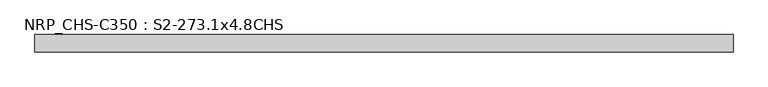
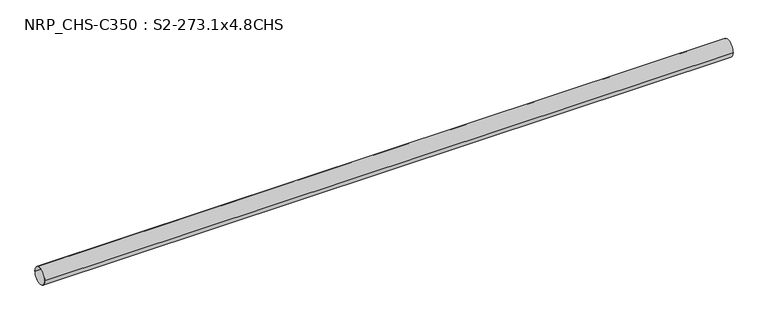
"""IFC4 building model written with IfcOpenShell, lengths in millimetres: beam geometry, NRP_CHS-C350 : S2-273.1x4.8CHS."""

import ifcopenshell
import ifcopenshell.guid

model = None  # the IFC model being written
_history = None  # IfcOwnerHistory: only IFC2X3 demands one
_inside = {}  # id of a spatial element -> (the spatial element, [elements in it])
_under = {}  # id of a project, library or spatial element -> (it, [spatial elements below it])
_declared = {}  # id of a project -> (the project, [libraries it declares])
_typed = {}  # id of a type object -> (the type object, [elements of that type])
_made_of = {}  # id of a material, layer set ... -> (it, [elements and type objects made of it])


def new_model(schema):
    """Start an empty IFC model of exactly this schema.

    Asked for "IFC4X3", IfcOpenShell would pick the latest addendum, in which some entities
    have other attributes; the version numbers below select the first issue.
    IFC2X3 requires an IfcOwnerHistory on every rooted entity: one is made here for all.
    """
    global model, _history
    if schema == "IFC4X3":
        model = ifcopenshell.file(schema_version=(4, 3, 0, 0))
    else:
        model = ifcopenshell.file(schema=schema)
    _inside.clear()
    _under.clear()
    _declared.clear()
    _typed.clear()
    _made_of.clear()
    _history = None
    if model.schema == "IFC2X3":
        org = make("IfcOrganization", Name="unknown")
        user = make(
            "IfcPersonAndOrganization",
            ThePerson=make("IfcPerson", FamilyName="unknown"),
            TheOrganization=org,
        )
        app = make(
            "IfcApplication",
            ApplicationDeveloper=org,
            Version="unknown",
            ApplicationFullName="unknown",
            ApplicationIdentifier="unknown",
        )
        _history = make(
            "IfcOwnerHistory",
            OwningUser=user,
            OwningApplication=app,
            ChangeAction="ADDED",
            CreationDate=0,
        )
    return model


def make(cls, **values):
    """One entity of the class cls with the attributes given. An attribute that is None is left unset."""
    return model.create_entity(
        cls, **{name: value for name, value in values.items() if value is not None}
    )


def rooted(cls, **values):
    """An entity with a GlobalId (a new one), such as an element, a storey or a relation."""
    return make(cls, GlobalId=ifcopenshell.guid.new(), OwnerHistory=_history, **values)


def si_unit(unit_type, name, prefix=None):
    """IfcSIUnit, for example si_unit("LENGTHUNIT", "METRE", prefix="MILLI")."""
    return make("IfcSIUnit", UnitType=unit_type, Prefix=prefix, Name=name)


def assignment(units):
    """IfcUnitAssignment: the units of a project."""
    return None if units is None else make("IfcUnitAssignment", Units=units)


def point(xyz):
    """IfcCartesianPoint."""
    return None if xyz is None else make("IfcCartesianPoint", Coordinates=xyz)


def direction(xyz):
    """IfcDirection."""
    return None if xyz is None else make("IfcDirection", DirectionRatios=xyz)


def frame(location, z_axis=None, x_axis=None):
    """IfcAxis2Placement3D, a coordinate frame: its origin and axes. An axis left out is left unset."""
    return make(
        "IfcAxis2Placement3D",
        Location=point(location),
        Axis=direction(z_axis),
        RefDirection=direction(x_axis),
    )


def frame_2d(location, x_axis=None):
    """IfcAxis2Placement2D, a coordinate frame in the plane: its origin and x axis."""
    return make(
        "IfcAxis2Placement2D", Location=point(location), RefDirection=direction(x_axis)
    )


def origin():
    """The frame at (0, 0, 0) with its axes left unset."""
    return frame((0.0, 0.0, 0.0))


def origin_2d():
    """The frame at (0, 0) in the plane with its x axis left unset."""
    return frame_2d((0.0, 0.0))


def place(relative_to, where):
    """IfcLocalPlacement: puts the frame where relative to a parent placement (None: the world)."""
    return make(
        "IfcLocalPlacement", PlacementRelTo=relative_to, RelativePlacement=where
    )


def context(
    kind, dimensions, precision=None, world=None, true_north=None, identifier=None
):
    """IfcGeometricRepresentationContext, for example the 3D "Model" context."""
    return make(
        "IfcGeometricRepresentationContext",
        ContextIdentifier=identifier,
        ContextType=kind,
        CoordinateSpaceDimension=dimensions,
        Precision=precision,
        WorldCoordinateSystem=world,
        TrueNorth=true_north,
    )


def project(units=None, contexts=None):
    """IfcProject with its units and contexts."""
    return rooted(
        "IfcProject",
        Name="project",
        RepresentationContexts=contexts,
        UnitsInContext=assignment(units),
    )


def spatial(cls, under=None, at=None, **own):
    """A site, building, storey or space (cls), placed at a placement, below another one or the project."""
    s = rooted(cls, ObjectPlacement=at, **own)
    if under is not None:
        _under.setdefault(under.id(), (under, []))[1].append(s)
    return s


def circle_curve(where, radius):
    """IfcCircle in the frame where."""
    return make("IfcCircle", Position=where, Radius=radius)


def trimmed(basis, trim1, trim2, sense, master):
    """IfcTrimmedCurve: the piece of a basis curve between two trims."""
    return make(
        "IfcTrimmedCurve",
        BasisCurve=basis,
        Trim1=trim1,
        Trim2=trim2,
        SenseAgreement=sense,
        MasterRepresentation=master,
    )


def segment(curve, same_sense, transition):
    """IfcCompositeCurveSegment."""
    return make(
        "IfcCompositeCurveSegment",
        Transition=transition,
        SameSense=same_sense,
        ParentCurve=curve,
    )


def composite_curve(segments, self_intersect=None):
    """IfcCompositeCurve: segments joined end to end."""
    return make("IfcCompositeCurve", Segments=segments, SelfIntersect=self_intersect)


def outline(outer, holes=None, kind="AREA"):
    """IfcArbitraryClosedProfileDef: a profile drawn as a closed curve; with holes, ...WithVoids."""
    if holes is None:
        return make("IfcArbitraryClosedProfileDef", ProfileType=kind, OuterCurve=outer)
    return make(
        "IfcArbitraryProfileDefWithVoids",
        ProfileType=kind,
        OuterCurve=outer,
        InnerCurves=holes,
    )


def extrude(swept, where, along, depth):
    """IfcExtrudedAreaSolid: the profile swept, set in the frame where, extruded along a direction by depth."""
    return make(
        "IfcExtrudedAreaSolid",
        SweptArea=swept,
        Position=where,
        ExtrudedDirection=direction(along),
        Depth=depth,
    )


def shape(context_of_items, identifier, shape_type, items):
    """IfcShapeRepresentation: the items that make up one representation, for example the "Body"."""
    return make(
        "IfcShapeRepresentation",
        ContextOfItems=context_of_items,
        RepresentationIdentifier=identifier,
        RepresentationType=shape_type,
        Items=items,
    )


def source(mapping_origin, context_of_items, identifier, shape_type, items):
    """IfcRepresentationMap: a shape defined once, which mapped items show again and again."""
    return make(
        "IfcRepresentationMap",
        MappingOrigin=mapping_origin,
        MappedRepresentation=shape(context_of_items, identifier, shape_type, items),
    )


def transform(
    local_origin,
    x_axis=None,
    y_axis=None,
    z_axis=None,
    scale=None,
    scale2=None,
    scale3=None,
    uniform=True,
):
    """IfcCartesianTransformationOperator3D, or its non-uniform kind. x_axis, y_axis, z_axis: its Axis1, 2, 3."""
    if uniform:
        return make(
            "IfcCartesianTransformationOperator3D",
            Axis1=direction(x_axis),
            Axis2=direction(y_axis),
            LocalOrigin=point(local_origin),
            Scale=scale,
            Axis3=direction(z_axis),
        )
    return make(
        "IfcCartesianTransformationOperator3DnonUniform",
        Axis1=direction(x_axis),
        Axis2=direction(y_axis),
        LocalOrigin=point(local_origin),
        Scale=scale,
        Axis3=direction(z_axis),
        Scale2=scale2,
        Scale3=scale3,
    )


def mapped(mapping_source, mapping_target):
    """IfcMappedItem: shows the shape of a source again, moved by a transform."""
    return make(
        "IfcMappedItem", MappingSource=mapping_source, MappingTarget=mapping_target
    )


def made_of(thing, what):
    """Note that an element or type object is made of a material, layer set ...; save() writes the relation."""
    if what is not None:
        _made_of.setdefault(what.id(), (what, []))[1].append(thing)
    return thing


def element(
    cls,
    number,
    at=None,
    inside=None,
    cuts=None,
    type_object=None,
    material=None,
    context=None,
    identifier="Body",
    shape_type=None,
    held_by="IfcProductDefinitionShape",
    body=None,
    shapes=None,
    **own,
):
    """One element of the class cls, such as IfcWall. Its Tag is "e" and its number.

    at: its placement. inside: the storey or other place that contains it. cuts: it is an
    opening in that element (IfcRelVoidsElement). A single representation is given by context,
    identifier, shape_type and body (its items); several are given by shapes. held_by: the class
    of the entity that holds the representations. save() writes the other relations.
    """
    e = rooted(cls, Tag="e%d" % number, ObjectPlacement=at, **own)
    if body is not None:
        shapes = [shape(context, identifier, shape_type, body)]
    if shapes is not None:
        e.Representation = make(held_by, Representations=shapes)
    if inside is not None:
        _inside.setdefault(inside.id(), (inside, []))[1].append(e)
    if cuts is not None:
        rooted(
            "IfcRelVoidsElement", RelatingBuildingElement=cuts, RelatedOpeningElement=e
        )
    if type_object is not None:
        _typed.setdefault(type_object.id(), (type_object, []))[1].append(e)
    return made_of(e, material)


def aggregate(whole, parts):
    """IfcRelAggregates: a whole, such as a stair, and the parts it consists of."""
    return rooted("IfcRelAggregates", RelatingObject=whole, RelatedObjects=parts)


def save(model, path):
    """Write the relations noted so far, then the file.

    IfcRelAggregates (storeys below a building ...), IfcRelContainedInSpatialStructure (elements
    in a storey), IfcRelDefinesByType, IfcRelAssociatesMaterial and IfcRelDeclares: one each for
    every whole, place, type object, material and project.
    """
    for whole, parts in _under.values():
        aggregate(whole, parts)
    for where, things in _inside.values():
        rooted(
            "IfcRelContainedInSpatialStructure",
            RelatedElements=things,
            RelatingStructure=where,
        )
    for kind, things in _typed.values():
        rooted("IfcRelDefinesByType", RelatedObjects=things, RelatingType=kind)
    for what, things in _made_of.values():
        rooted("IfcRelAssociatesMaterial", RelatedObjects=things, RelatingMaterial=what)
    for by, libraries in _declared.values():
        rooted("IfcRelDeclares", RelatingContext=by, RelatedDefinitions=libraries)
    model.write(path)


def nrp_chs_c350_s2_273_1x4_8chs_9a7ad216(model_context):
    return source(origin(), model_context, "Body", "SweptSolid", [
        extrude(outline(composite_curve([segment(trimmed(circle_curve(origin_2d(), 136.55), [point((-136.55, 0.0))], [point((136.55, 0.0))], False, "CARTESIAN"), True, "CONTINUOUS"), segment(trimmed(circle_curve(origin_2d(), 136.55), [point((136.55, 0.0))], [point((-136.55, 0.0))], False, "CARTESIAN"), True, "CONTINUOUS")], self_intersect=False), holes=[composite_curve([segment(trimmed(circle_curve(origin_2d(), 131.75), [point((131.75, 0.0))], [point((-131.75, 0.0))], True, "CARTESIAN"), True, "CONTINUOUS"), segment(trimmed(circle_curve(origin_2d(), 131.75), [point((-131.75, 0.0))], [point((131.75, 0.0))], True, "CARTESIAN"), True, "CONTINUOUS")], self_intersect=False)]), frame((-5512.3, 0.0, 0.0), z_axis=(1.0, 0.0, 0.0), x_axis=(0.0, 1.0, 0.0)), (0.0, 0.0, 1.0), 11037.3),
    ])


if __name__ == "__main__":
    model = new_model("IFC4")
    model_context = context("Model", 3, world=origin())
    ifc_project = project(units=[si_unit("LENGTHUNIT", "METRE", prefix="MILLI")], contexts=[model_context])
    site = spatial("IfcSite", under=ifc_project)
    building = spatial("IfcBuilding", under=site)
    placement = place(None, origin())
    nrp_chs_c350_s2_273_1x4_8chs_shape = nrp_chs_c350_s2_273_1x4_8chs_9a7ad216(model_context)
    element("IfcBeam", 1, ObjectType="NRP_CHS-C350 : S2-273.1x4.8CHS", at=placement, inside=building, context=model_context, shape_type="MappedRepresentation", body=[
        mapped(nrp_chs_c350_s2_273_1x4_8chs_shape, transform((0.0, 0.0, 0.0), x_axis=(1.0, 0.0, 0.0), y_axis=(0.0, 1.0, 0.0), z_axis=(0.0, 0.0, 1.0))),
    ])
    save(model, "model.ifc")
